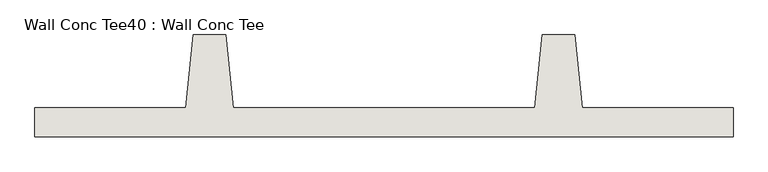
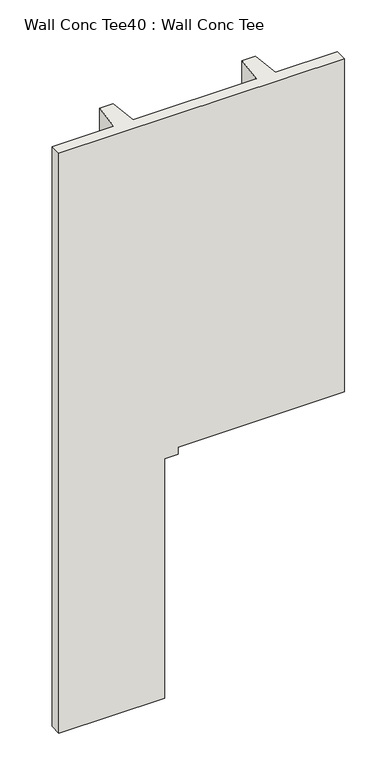
"""IFC4 building model written with IfcOpenShell, lengths in millimetres: wall geometry, Wall Conc Tee40 : Wall Conc Tee."""

from ifc_helpers import new_model, si_unit, origin, place, context, project, spatial, faceted_brep, source, transform, mapped, element, save


def wall_conc_tee40_wall_conc_tee_3b92322e(model_context):
    return source(origin(), model_context, "Body", "Brep", [
        faceted_brep([(229680.2728488, 193104.2596581, 5376.1679688), (232118.6728488, 193104.2596581, 5376.1679688), (232118.6728488, 193205.8596581, 5376.1679688), (231591.6228488, 193205.8596581, 5376.1679688), (231566.2228488, 193459.8596581, 5376.1679688), (231451.9228488, 193459.8596581, 5376.1679688), (231426.5228488, 193205.8596581, 5376.1679688), (230372.4228488, 193205.8596581, 5376.1679688), (230347.0228488, 193459.8596581, 5376.1679688), (230232.7228488, 193459.8596581, 5376.1679688), (230207.3228488, 193205.8596581, 5376.1679688), (229680.2728488, 193205.8596581, 5376.1679688), (230347.0228488, 193459.8596581, 143.7592564), (230372.4228488, 193205.8596581, 143.7592564), (230581.9728488, 193205.8596581, 143.7592564), (230581.9728488, 193104.2596581, 143.7592564), (229680.2728488, 193104.2596581, 143.7592564), (229680.2728488, 193205.8596581, 143.7592564), (230207.3228488, 193205.8596581, 143.7592564), (230232.7228488, 193459.8596581, 143.7592564), (230581.9728488, 193104.2596581, 2302.7592564), (230698.4984477, 193104.2596581, 2302.7592564), (230698.4984477, 193104.2596581, 2369.3977229), (232118.6728488, 193104.2596581, 2369.3977229), (231426.5228488, 193205.8596581, 2369.3977229), (230698.4984477, 193205.8596581, 2369.3977229), (230698.4984477, 193205.8596581, 2302.7592564), (230581.9728488, 193205.8596581, 2302.7592564), (231451.9228488, 193459.8596581, 2369.3977229), (231566.2228488, 193459.8596581, 2369.3977229), (231591.6228488, 193205.8596581, 2369.3977229), (232118.6728488, 193205.8596581, 2369.3977229)], [[[0, 1, 2, 3, 4, 5, 6, 7, 8, 9, 10, 11]], [[12, 13, 14, 15, 16, 17, 18, 19]], [[1, 0, 16, 15, 20, 21, 22, 23]], [[0, 11, 17, 16]], [[11, 10, 18, 17]], [[10, 9, 19, 18]], [[9, 8, 12, 19]], [[8, 7, 13, 12]], [[7, 6, 24, 25, 26, 27, 14, 13]], [[6, 5, 28, 24]], [[5, 4, 29, 28]], [[4, 3, 30, 29]], [[3, 2, 31, 30]], [[2, 1, 23, 31]], [[27, 20, 15, 14]], [[20, 27, 26, 21]], [[23, 22, 25, 24, 28, 29, 30, 31]], [[25, 22, 21, 26]]]),
    ])


if __name__ == "__main__":
    model = new_model("IFC4")
    model_context = context("Model", 3, world=origin())
    ifc_project = project(units=[si_unit("LENGTHUNIT", "METRE", prefix="MILLI")], contexts=[model_context])
    site = spatial("IfcSite", under=ifc_project)
    building = spatial("IfcBuilding", under=site)
    placement = place(None, origin())
    wall_conc_tee40_wall_conc_tee_shape = wall_conc_tee40_wall_conc_tee_3b92322e(model_context)
    element("IfcWall", 1, ObjectType="Wall Conc Tee40 : Wall Conc Tee", at=placement, inside=building, context=model_context, shape_type="MappedRepresentation", body=[
        mapped(wall_conc_tee40_wall_conc_tee_shape, transform((0.0, 0.0, 0.0), x_axis=(1.0, 0.0, 0.0), y_axis=(0.0, 1.0, 0.0), z_axis=(0.0, 0.0, 1.0))),
    ])
    save(model, "model.ifc")
